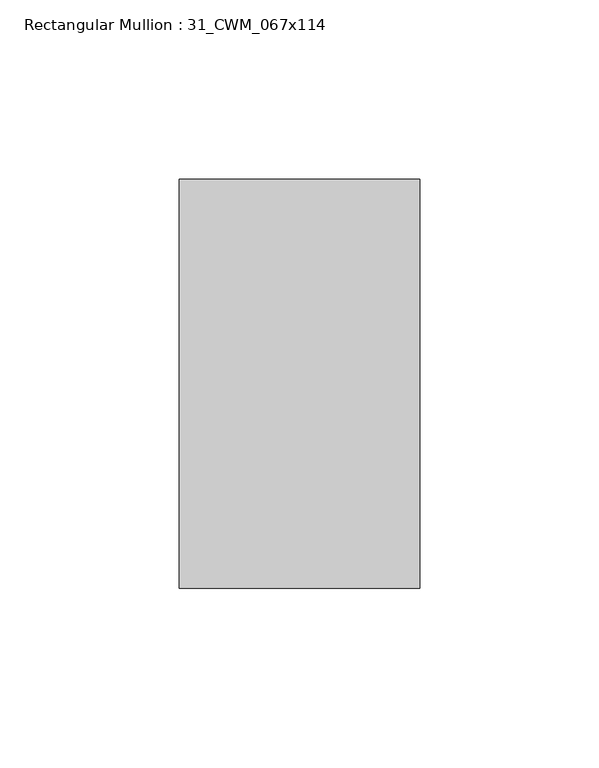
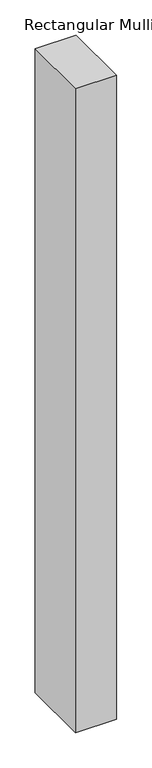
"""IFC4 building model written with IfcOpenShell, lengths in millimetres: member geometry, Rectangular Mullion : 31_CWM_067x114."""

from ifc_helpers import new_model, si_unit, frame, origin, place, context, project, spatial, polyline, outline, extrude, source, transform, mapped, element, save


def rectangular_mullion_31_cwm_067x114_596467a1(model_context):
    return source(origin(), model_context, "Body", "SweptSolid", [
        extrude(outline(polyline([(0.0, 0.0), (0.0, -114.0), (-67.0, -114.0), (-67.0, 0.0), (0.0, 0.0)])), frame((0.0, 0.0, -1111.1666667), z_axis=(0.0, 0.0, 1.0), x_axis=(1.0, 0.0, 0.0)), (0.0, 0.0, 1.0), 1111.1666667),
    ])


if __name__ == "__main__":
    model = new_model("IFC4")
    model_context = context("Model", 3, world=origin())
    ifc_project = project(units=[si_unit("LENGTHUNIT", "METRE", prefix="MILLI")], contexts=[model_context])
    site = spatial("IfcSite", under=ifc_project)
    building = spatial("IfcBuilding", under=site)
    placement = place(None, origin())
    rectangular_mullion_31_cwm_067x114_shape = rectangular_mullion_31_cwm_067x114_596467a1(model_context)
    element("IfcMember", 1, ObjectType="Rectangular Mullion : 31_CWM_067x114", at=placement, inside=building, context=model_context, shape_type="MappedRepresentation", body=[
        mapped(rectangular_mullion_31_cwm_067x114_shape, transform((0.0, 0.0, 0.0), x_axis=(1.0, 0.0, 0.0), y_axis=(0.0, 1.0, 0.0), z_axis=(0.0, 0.0, 1.0))),
    ])
    save(model, "model.ifc")
